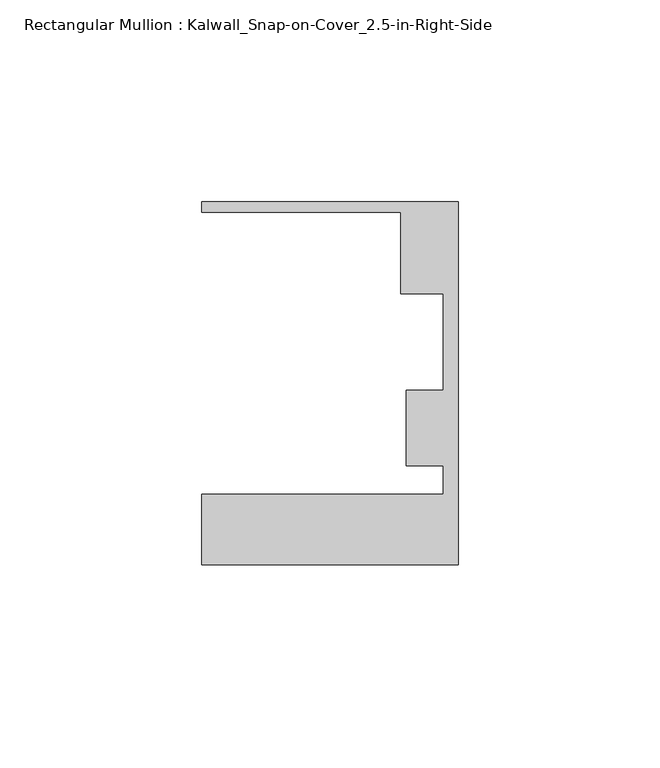
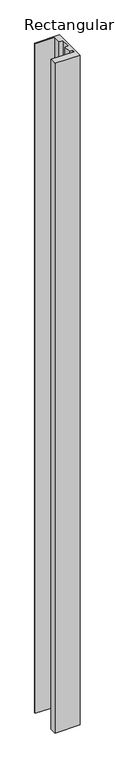
"""IFC4 building model written with IfcOpenShell, lengths in millimetres: member geometry, Rectangular Mullion : Kalwall_Snap-on-Cover_2.5-in-Right-Side."""

from ifc_helpers import new_model, si_unit, frame, origin, place, context, project, spatial, polyline, outline, extrude, source, transform, mapped, element, save


def rectangular_mullion_kalwall_snap_on_cover_2_5_in_right_side_037ad54a(model_context):
    return source(origin(), model_context, "Body", "SweptSolid", [
        extrude(outline(polyline([(0.0, -52.5001386), (-63.5, -52.5001386), (-63.5, -35.0376386), (-3.7084, -35.0376386), (-3.7084, -27.8888568), (-12.8272539, -27.8888568), (-12.8272539, -9.1879886), (-3.7084, -9.1879886), (-3.7084, 14.7439614), (-14.1732, 14.7439614), (-14.1732, 34.9623614), (-63.5, 34.9623614), (-63.5, 37.5023614), (0.0, 37.5023614), (0.0, -52.5001386)])), frame((0.0, 0.0, -1808.375), z_axis=(0.0, 0.0, 1.0), x_axis=(1.0, 0.0, 0.0)), (0.0, 0.0, 1.0), 1808.375),
    ])


if __name__ == "__main__":
    model = new_model("IFC4")
    model_context = context("Model", 3, world=origin())
    ifc_project = project(units=[si_unit("LENGTHUNIT", "METRE", prefix="MILLI")], contexts=[model_context])
    site = spatial("IfcSite", under=ifc_project)
    building = spatial("IfcBuilding", under=site)
    placement = place(None, origin())
    rectangular_mullion_kalwall_snap_on_cover_2_5_in_right_side_shape = rectangular_mullion_kalwall_snap_on_cover_2_5_in_right_side_037ad54a(model_context)
    element("IfcMember", 1, ObjectType="Rectangular Mullion : Kalwall_Snap-on-Cover_2.5-in-Right-Side", at=placement, inside=building, context=model_context, shape_type="MappedRepresentation", body=[
        mapped(rectangular_mullion_kalwall_snap_on_cover_2_5_in_right_side_shape, transform((0.0, 0.0, 0.0), x_axis=(1.0, 0.0, 0.0), y_axis=(0.0, 1.0, 0.0), z_axis=(0.0, 0.0, 1.0))),
    ])
    save(model, "model.ifc")
